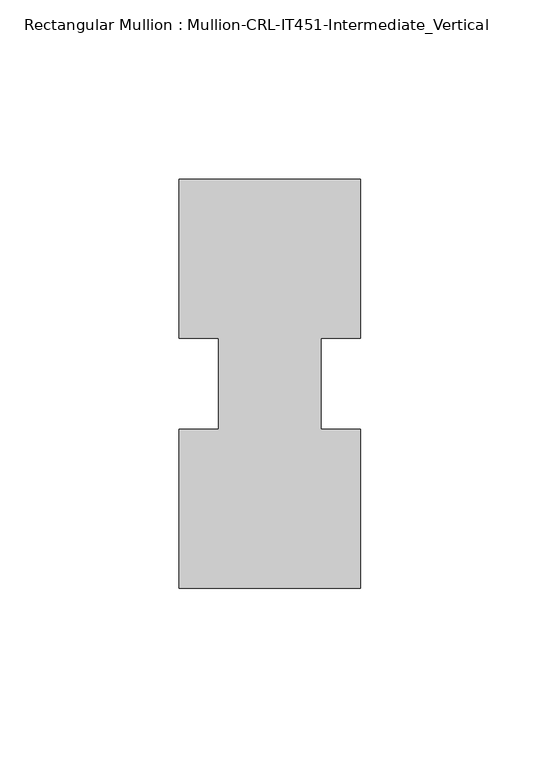
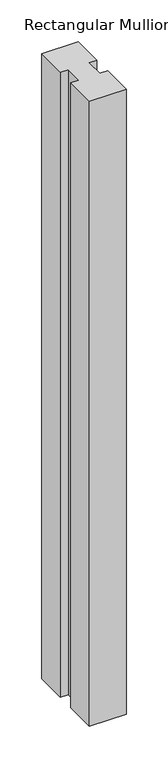
"""IFC4 building model written with IfcOpenShell, lengths in millimetres: member geometry, Rectangular Mullion : Mullion-CRL-IT451-Intermediate_Vertical."""

from ifc_helpers import new_model, si_unit, frame, origin, place, context, project, spatial, polyline, outline, extrude, source, transform, mapped, element, save


def rectangular_mullion_mullion_crl_it451_intermediate_vertical_ade9a049(model_context):
    return source(origin(), model_context, "Body", "SweptSolid", [
        extrude(outline(polyline([(-25.4, -57.1500171), (-25.4, -12.7000171), (-14.2875, -12.7000171), (-14.2875, 12.7000171), (-25.4, 12.7000171), (-25.4, 57.1499829), (25.4, 57.1499829), (25.4, 12.7000171), (14.2875, 12.7000171), (14.2875, -12.7000171), (25.4, -12.7000171), (25.4, -57.1500171), (-25.4, -57.1500171)])), frame((0.0, 0.0, -914.4), z_axis=(0.0, 0.0, 1.0), x_axis=(1.0, 0.0, 0.0)), (0.0, 0.0, 1.0), 914.4),
    ])


if __name__ == "__main__":
    model = new_model("IFC4")
    model_context = context("Model", 3, world=origin())
    ifc_project = project(units=[si_unit("LENGTHUNIT", "METRE", prefix="MILLI")], contexts=[model_context])
    site = spatial("IfcSite", under=ifc_project)
    building = spatial("IfcBuilding", under=site)
    placement = place(None, origin())
    rectangular_mullion_mullion_crl_it451_intermediate_vertical_shape = rectangular_mullion_mullion_crl_it451_intermediate_vertical_ade9a049(model_context)
    element("IfcMember", 1, ObjectType="Rectangular Mullion : Mullion-CRL-IT451-Intermediate_Vertical", at=placement, inside=building, context=model_context, shape_type="MappedRepresentation", body=[
        mapped(rectangular_mullion_mullion_crl_it451_intermediate_vertical_shape, transform((0.0, 0.0, 0.0), x_axis=(1.0, 0.0, 0.0), y_axis=(0.0, 1.0, 0.0), z_axis=(0.0, 0.0, 1.0))),
    ])
    save(model, "model.ifc")
